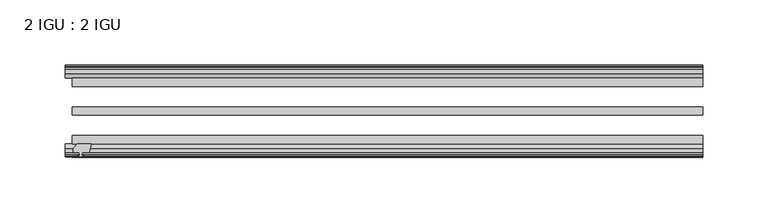
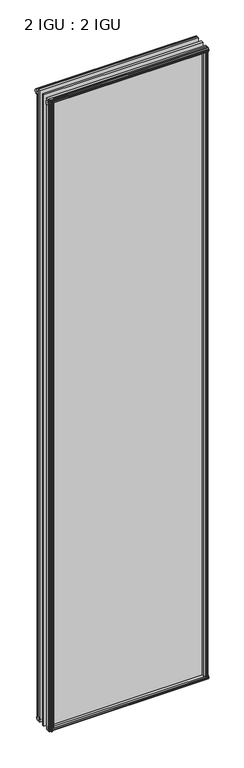
"""IFC4 building model written with IfcOpenShell, lengths in millimetres: plate geometry, 2 IGU : 2 IGU."""

from ifc_helpers import new_model, si_unit, frame, origin, origin_with_axes, place, context, project, spatial, polyline, outline, extrude, source, transform, mapped, element, save


def plate_2_igu_2_igu_c49d0136(model_context):
    return source(origin(), model_context, "Body", "SweptSolid", [
        extrude(outline(polyline([(-226.2483627, -69.9960936), (-227.9660808, -76.3460936), (-233.1730808, -76.3460936), (-233.5540808, -78.7262905), (-232.1385517, -78.2663573), (-232.1385517, -79.0675715), (-234.3160808, -79.7750936), (-236.4936098, -79.0675715), (-236.4936098, -78.2663573), (-235.0780808, -78.7262905), (-235.4590808, -76.3460936), (-239.9040808, -76.3460936), (-239.9040808, -73.3996936), (-237.0697386, -69.9960936), (-226.2483627, -69.9960936)])), frame((0.0, 0.0, -12.303125), z_axis=(0.0, 0.0, 1.0), x_axis=(1.0, 0.0, 0.0)), (0.0, 0.0, 1.0), 2018.661825),
        extrude(outline(polyline([(232.6592517, -10.4746158), (234.8367808, -9.7670937), (237.0143098, -10.4746158), (237.0143098, -11.27583), (235.5987808, -10.8158968), (235.9797808, -13.1960937), (240.4247808, -13.1960937), (240.4247808, -16.1424937), (237.5904386, -19.5460937), (226.7690627, -19.5460937), (228.4867808, -13.1960937), (233.6937808, -13.1960937), (234.0747808, -10.8158968), (232.6592517, -11.27583), (232.6592517, -10.4746158)])), origin_with_axes(), (0.0, 0.0, 1.0), 1993.9),
        extrude(outline(polyline([(-19.5460937, 1.5938931), (-13.1960937, -0.123825), (-13.1960937, -5.330825), (-10.8158968, -5.711825), (-11.27583, -4.2962959), (-10.4746158, -4.2962959), (-9.7670937, -6.473825), (-10.4746158, -8.6513541), (-11.27583, -8.6513541), (-10.8158968, -7.235825), (-13.1960937, -7.616825), (-13.1960937, -12.061825), (-16.1424937, -12.061825), (-19.5460937, -9.2274828), (-19.5460937, 1.5938931)])), frame((-240.6660808, 0.0, 0.0), z_axis=(1.0, 0.0, 0.0), x_axis=(0.0, 1.0, 0.0)), (0.0, 0.0, 1.0), 481.3321615),
        extrude(outline(polyline([(-69.9960936, 2.1145931), (-69.9960936, -8.7067828), (-73.3996936, -11.541125), (-76.3460936, -11.541125), (-76.3460936, -7.096125), (-78.7262905, -6.715125), (-78.2663573, -8.1306541), (-79.0675715, -8.1306541), (-79.7750936, -5.953125), (-79.0675715, -3.7755959), (-78.2663573, -3.7755959), (-78.7262905, -5.191125), (-76.3460936, -4.810125), (-76.3460936, 0.396875), (-69.9960936, 2.1145931)])), frame((-240.6660808, 0.0, 0.0), z_axis=(1.0, 0.0, 0.0), x_axis=(0.0, 1.0, 0.0)), (0.0, 0.0, 1.0), 481.3321615),
        extrude(outline(polyline([(-10.8158968, 2001.5327), (-11.27583, 2002.9482291), (-10.4746158, 2002.9482291), (-9.7670937, 2000.7707), (-10.4746158, 1998.5931709), (-11.27583, 1998.5931709), (-10.8158968, 2000.0087), (-13.1960937, 1999.6277), (-13.1960937, 1994.4207), (-19.5460937, 1992.7029819), (-19.5460937, 2003.5243578), (-16.1424937, 2006.3587), (-13.1960937, 2006.3587), (-13.1960937, 2001.9137), (-10.8158968, 2001.5327)])), frame((-246.0121867, 0.0, 0.0), z_axis=(1.0, 0.0, 0.0), x_axis=(0.0, 1.0, 0.0)), (0.0, 0.0, 1.0), 486.6782674),
        extrude(outline(polyline([(-76.3460936, 2005.838), (-73.3996936, 2005.838), (-69.9960936, 2003.0036578), (-69.9960936, 1992.1822819), (-76.3460936, 1993.9), (-76.3460936, 1999.107), (-78.7262905, 1999.488), (-78.2663573, 1998.0724709), (-79.0675715, 1998.0724709), (-79.7750936, 2000.25), (-79.0675715, 2002.4275291), (-78.2663573, 2002.4275291), (-78.7262905, 2001.012), (-76.3460936, 2001.393), (-76.3460936, 2005.838)])), frame((-246.0121867, 0.0, 0.0), z_axis=(1.0, 0.0, 0.0), x_axis=(0.0, 1.0, 0.0)), (0.0, 0.0, 1.0), 486.6782674),
        extrude(outline(polyline([(226.2483627, -69.9960936), (237.0697386, -69.9960936), (239.9040808, -73.3996936), (239.9040808, -76.3460936), (235.4590808, -76.3460936), (235.0780808, -78.7262905), (236.4936098, -78.2663573), (236.4936098, -79.0675715), (234.3160808, -79.7750936), (232.1385517, -79.0675715), (232.1385517, -78.2663573), (233.5540808, -78.7262905), (233.1730808, -76.3460936), (227.9660808, -76.3460936), (226.2483627, -69.9960936)])), origin_with_axes(), (0.0, 0.0, 1.0), 1993.9),
        extrude(outline(polyline([(-234.8367808, -9.7670937), (-232.6592517, -10.4746158), (-232.6592517, -11.27583), (-234.0747808, -10.8158968), (-233.6937808, -13.1960937), (-228.4867808, -13.1960937), (-226.7690627, -19.5460937), (-237.5904386, -19.5460937), (-240.4247808, -16.1424937), (-240.4247808, -13.1960937), (-235.9797808, -13.1960937), (-235.5987808, -10.8158968), (-237.0143098, -11.27583), (-237.0143098, -10.4746158), (-234.8367808, -9.7670937)])), origin_with_axes(), (0.0, 0.0, 1.0), 1993.9),
        extrude(outline(polyline([(240.6660808, -19.5460937), (240.6660808, -25.8960937), (-240.6660808, -25.8960937), (-240.6660808, -19.5460937), (240.6660808, -19.5460937)])), frame((0.0, 0.0, -12.303125), z_axis=(0.0, 0.0, 1.0), x_axis=(1.0, 0.0, 0.0)), (0.0, 0.0, 1.0), 2018.903125),
        extrude(outline(polyline([(-240.6660808, -41.5960937), (240.6660808, -41.5960937), (240.6660808, -47.9460937), (-240.6660808, -47.9460937), (-240.6660808, -41.5960937)])), frame((0.0, 0.0, -12.303125), z_axis=(0.0, 0.0, 1.0), x_axis=(1.0, 0.0, 0.0)), (0.0, 0.0, 1.0), 2018.903125),
        extrude(outline(polyline([(240.6660808, -63.6460936), (240.6660808, -69.9960936), (-240.6660808, -69.9960936), (-240.6660808, -63.6460936), (240.6660808, -63.6460936)])), frame((0.0, 0.0, -12.303125), z_axis=(0.0, 0.0, 1.0), x_axis=(1.0, 0.0, 0.0)), (0.0, 0.0, 1.0), 2018.903125),
    ])


if __name__ == "__main__":
    model = new_model("IFC4")
    model_context = context("Model", 3, world=origin())
    ifc_project = project(units=[si_unit("LENGTHUNIT", "METRE", prefix="MILLI")], contexts=[model_context])
    site = spatial("IfcSite", under=ifc_project)
    building = spatial("IfcBuilding", under=site)
    placement = place(None, origin())
    plate_2_igu_2_igu_shape = plate_2_igu_2_igu_c49d0136(model_context)
    element("IfcPlate", 1, ObjectType="2 IGU : 2 IGU", at=placement, inside=building, context=model_context, shape_type="MappedRepresentation", body=[
        mapped(plate_2_igu_2_igu_shape, transform((0.0, 0.0, 0.0), x_axis=(1.0, 0.0, 0.0), y_axis=(0.0, 1.0, 0.0), z_axis=(0.0, 0.0, 1.0))),
    ])
    save(model, "model.ifc")
